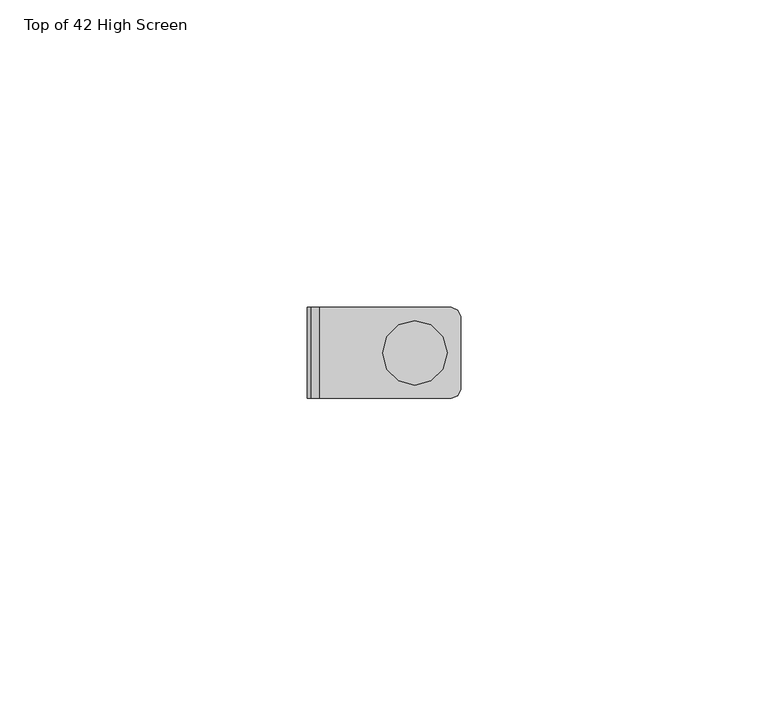
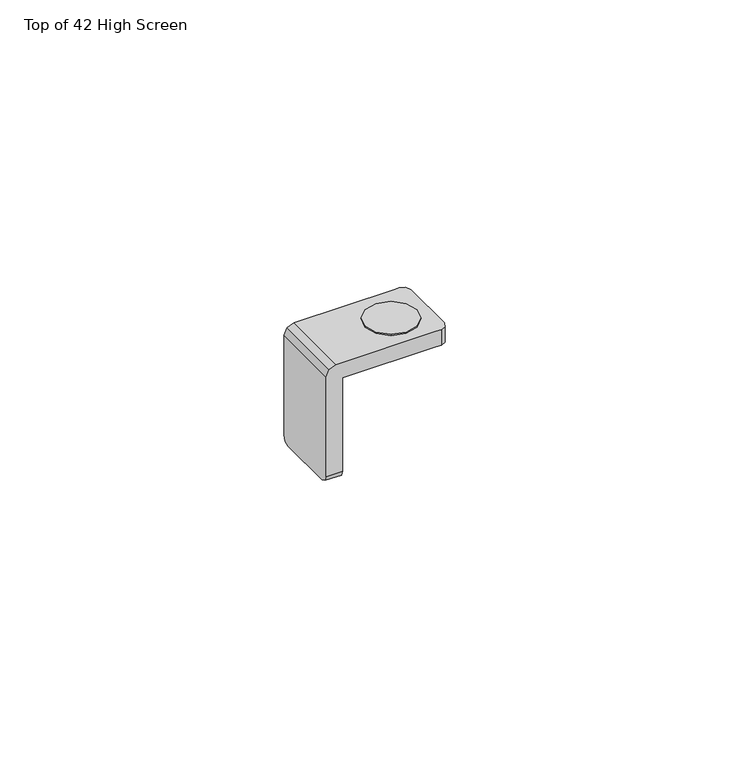
"""IFC4 building model written with IfcOpenShell, lengths in millimetres: furniture geometry, Top of 42 High Screen."""

from ifc_helpers import new_model, si_unit, origin, place, context, project, spatial, faceted_brep, source, transform, mapped, element, save


def top_of_42_high_screen_37da2f23(model_context):
    return source(origin(), model_context, "Body", "Brep", [
        faceted_brep([(2.00127, -7.4000003, 1055.7208949), (0.5870564, -7.4000003, 1055.1351021), (0.0, -7.4000003, 1053.7178419), (0.0, -7.4000003, 1032.3208989), (3.3512699, -7.4000003, 1032.3208989), (3.3512699, -7.4000003, 1052.3699003), (22.3537534, -7.4000003, 1052.3699003), (23.4012694, -7.4000003, 1052.3699003), (23.4012694, -7.4000003, 1055.7208949), (22.3537534, -7.4000003, 1055.7208949), (0.0, 7.4000003, 1053.7178419), (0.5870564, 7.4000003, 1055.1351021), (2.00127, 7.4000003, 1055.7208949), (22.3537534, 7.4000003, 1055.7208949), (23.4012694, 7.4000003, 1055.7208949), (23.4012694, 7.4000003, 1052.3699003), (22.3537534, 7.4000003, 1052.3699003), (3.3512699, 7.4000003, 1052.3699003), (3.3512699, 7.4000003, 1032.3208989), (0.0, 7.4000003, 1032.3208989), (24.4619302, 6.9606602, 1052.3699003), (24.9012689, 5.9000026, 1052.3699003), (24.9012689, -5.9000026, 1052.3699003), (24.4619302, -6.9606602, 1052.3699003), (24.9012689, 5.9000026, 1055.7208949), (24.9012689, -5.9000026, 1055.7208949), (24.4619302, -6.9606602, 1055.7208949), (24.4619302, 6.9606602, 1055.7208949), (20.0887697, -4.5466332, 1055.7208949), (17.4637698, -5.2499998, 1055.7208949), (14.8387699, -4.5466332, 1055.7208949), (12.9171372, -2.6249999, 1055.7208949), (12.2137701, 0.0, 1055.7208949), (12.9171372, 2.6249999, 1055.7208949), (14.8387699, 4.5466332, 1055.7208949), (17.4637698, 5.2499998, 1055.7208949), (20.0887697, 4.5466332, 1055.7208949), (22.0104025, 2.6249999, 1055.7208949), (22.7137707, 0.0, 1055.7208949), (22.0104025, -2.6249999, 1055.7208949), (0.0, 6.9606602, 1031.2602381), (0.0, 5.8999766, 1030.8208886), (0.0, -5.8999766, 1030.8208886), (0.0, -6.9606602, 1031.2602381), (3.3512699, 5.8999766, 1030.8208886), (3.3512699, -5.8999766, 1030.8208886), (3.3512699, -6.9606602, 1031.2602381), (3.3512699, 6.9606602, 1031.2602381), (17.4637698, -5.2499998, 1055.9796), (20.0887697, -4.5466332, 1055.9796), (22.0104025, -2.6249999, 1055.9796), (22.7137707, 0.0, 1055.9796), (22.0104025, 2.6249999, 1055.9796), (20.0887697, 4.5466332, 1055.9796), (17.4637698, 5.2499998, 1055.9796), (14.8387699, 4.5466332, 1055.9796), (12.9171372, 2.6249999, 1055.9796), (12.2137701, 0.0, 1055.9796), (12.9171372, -2.6249999, 1055.9796), (14.8387699, -4.5466332, 1055.9796)], [[[0, 1, 2, 3, 4, 5, 6, 7, 8, 9]], [[10, 11, 12, 13, 14, 15, 16, 17, 18, 19]], [[5, 17, 16, 15, 20, 21, 22, 23, 7, 6]], [[22, 21, 24, 25]], [[12, 0, 9, 8, 26, 25, 24, 27, 14, 13], [28, 29, 30, 31, 32, 33, 34, 35, 36, 37, 38, 39]], [[1, 0, 12, 11]], [[2, 1, 11, 10]], [[2, 10, 19, 40, 41, 42, 43, 3]], [[42, 41, 44, 45]], [[17, 5, 4, 46, 45, 44, 47, 18]], [[27, 20, 15, 14]], [[20, 27, 24, 21]], [[26, 23, 22, 25]], [[23, 26, 8, 7]], [[47, 40, 19, 18]], [[40, 47, 44, 41]], [[46, 43, 42, 45]], [[43, 46, 4, 3]], [[48, 49, 50, 51, 52, 53, 54, 55, 56, 57, 58, 59]], [[49, 48, 29, 28]], [[50, 49, 28, 39]], [[51, 50, 39, 38]], [[52, 51, 38, 37]], [[53, 52, 37, 36]], [[54, 53, 36, 35]], [[55, 54, 35, 34]], [[56, 55, 34, 33]], [[57, 56, 33, 32]], [[58, 57, 32, 31]], [[59, 58, 31, 30]], [[48, 59, 30, 29]]]),
    ])


if __name__ == "__main__":
    model = new_model("IFC4")
    model_context = context("Model", 3, world=origin())
    ifc_project = project(units=[si_unit("LENGTHUNIT", "METRE", prefix="MILLI")], contexts=[model_context])
    site = spatial("IfcSite", under=ifc_project)
    building = spatial("IfcBuilding", under=site)
    placement = place(None, origin())
    top_of_42_high_screen_shape = top_of_42_high_screen_37da2f23(model_context)
    element("IfcFurniture", 1, ObjectType="Top of 42 High Screen", at=placement, inside=building, context=model_context, shape_type="MappedRepresentation", body=[
        mapped(top_of_42_high_screen_shape, transform((0.0, 0.0, 0.0), x_axis=(1.0, 0.0, 0.0), y_axis=(0.0, 1.0, 0.0), z_axis=(0.0, 0.0, 1.0))),
    ])
    save(model, "model.ifc")
